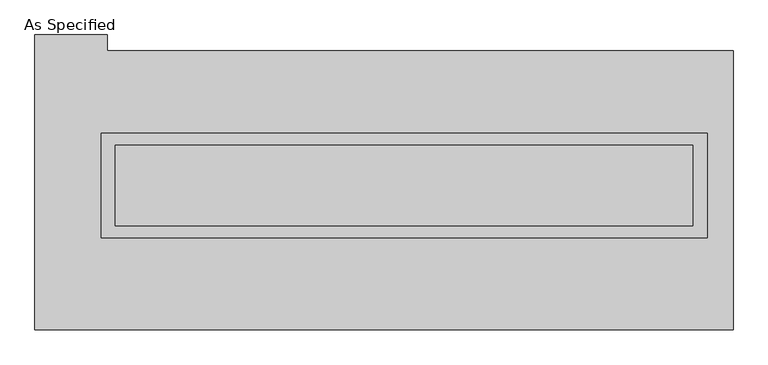
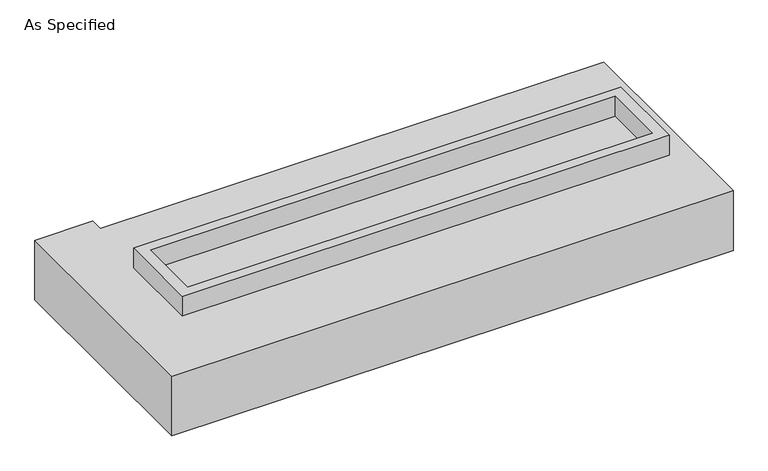
"""IFC4 building model written with IfcOpenShell, lengths in millimetres: proxy geometry, As Specified."""

from ifc_helpers import new_model, si_unit, frame, origin, place, context, project, spatial, polyline, outline, extrude, faceted_brep, source, transform, mapped, element, save


def as_specified_67a17aa9(model_context):
    return source(origin(), model_context, "Body", "SolidModel", [
        extrude(outline(polyline([(1917.7, 361.95), (1917.7, -298.45), (-1917.7, -298.45), (-1917.7, 361.95), (1917.7, 361.95)]), holes=[polyline([(1828.8, 285.75), (-1828.8, 285.75), (-1828.8, -222.25), (1828.8, -222.25), (1828.8, 285.75)])]), frame((0.0, 0.0, -25.4), z_axis=(0.0, 0.0, 1.0), x_axis=(1.0, 0.0, 0.0)), (0.0, 0.0, 1.0), 165.1),
        extrude(outline(polyline([(1828.8, 285.75), (1828.8, -222.25), (-1828.8, -222.25), (-1828.8, 285.75), (1828.8, 285.75)])), frame((0.0, 0.0, -30.3609375), z_axis=(0.0, 0.0, 1.0), x_axis=(1.0, 0.0, 0.0)), (0.0, 0.0, 1.0), 4.9609375),
        faceted_brep([(2082.8, -882.65, -523.875), (-2336.8, -882.65, -523.875), (-2336.8, 984.25, -523.875), (-1879.6, 984.25, -523.875), (-1879.6, 882.65, -523.875), (2082.8, 882.65, -523.875), (-2336.8, -882.65, -25.4), (2082.8, -882.65, -25.4), (2082.8, 882.65, -25.4), (-1879.6, 882.65, -25.4), (-1879.6, 984.25, -25.4), (-2336.8, 984.25, -25.4), (-1917.7, -298.45, -25.4), (-1917.7, 361.95, -25.4), (1917.7, 361.95, -25.4), (1917.7, -298.45, -25.4), (1917.7, 361.95, -498.475), (-1917.7, 361.95, -498.475), (-1917.7, -298.45, -498.475), (1917.7, -298.45, -498.475)], [[[0, 1, 2, 3, 4, 5]], [[6, 7, 8, 9, 10, 11], [12, 13, 14, 15]], [[8, 5, 4, 9]], [[2, 1, 6, 11]], [[5, 8, 7, 0]], [[16, 17, 18, 19]], [[18, 17, 13, 12]], [[17, 16, 14, 13]], [[16, 19, 15, 14]], [[12, 15, 19, 18]], [[1, 0, 7, 6]], [[4, 3, 10, 9]], [[3, 2, 11, 10]]]),
    ])


if __name__ == "__main__":
    model = new_model("IFC4")
    model_context = context("Model", 3, world=origin())
    ifc_project = project(units=[si_unit("LENGTHUNIT", "METRE", prefix="MILLI")], contexts=[model_context])
    site = spatial("IfcSite", under=ifc_project)
    building = spatial("IfcBuilding", under=site)
    placement = place(None, origin())
    as_specified_shape = as_specified_67a17aa9(model_context)
    element("IfcBuildingElementProxy", 1, Name="As Specified", ObjectType="As Specified", at=placement, inside=building, context=model_context, shape_type="MappedRepresentation", body=[
        mapped(as_specified_shape, transform((0.0, 0.0, 0.0), x_axis=(1.0, 0.0, 0.0), y_axis=(0.0, 1.0, 0.0), z_axis=(0.0, 0.0, 1.0))),
    ])
    save(model, "model.ifc")
